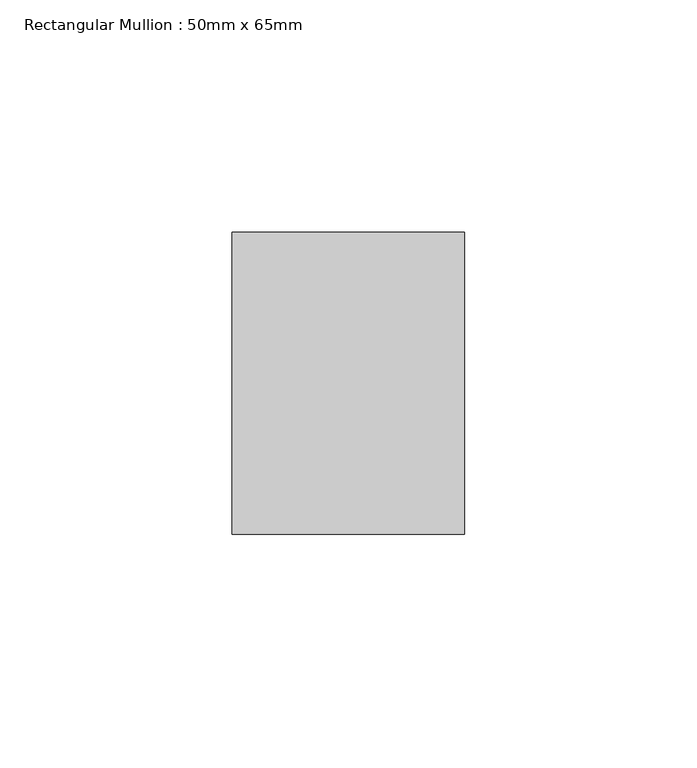
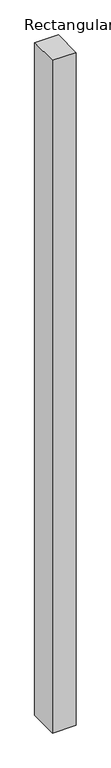
"""IFC4 building model written with IfcOpenShell, lengths in millimetres: member geometry, Rectangular Mullion : 50mm x 65mm."""

from ifc_helpers import new_model, si_unit, origin, place, context, project, spatial, faceted_brep, source, transform, mapped, element, save


def rectangular_mullion_50mm_x_65mm_17125522(model_context):
    return source(origin(), model_context, "Body", "Brep", [
        faceted_brep([(-25.0, 32.5, -0.0443365), (25.0, 32.5, -0.0443361), (25.0, 32.5, -1499.901914), (-25.0, 32.5, -1499.9019132), (-25.0, -32.5, 0.0443361), (-25.0, -32.5, -1500.0980902), (25.0, -32.5, 0.0443365), (25.0, -32.5, -1500.098091)], [[[0, 1, 2, 3]], [[4, 0, 3, 5]], [[6, 4, 5, 7]], [[1, 6, 7, 2]], [[1, 0, 4, 6]], [[2, 7, 5, 3]]]),
    ])


if __name__ == "__main__":
    model = new_model("IFC4")
    model_context = context("Model", 3, world=origin())
    ifc_project = project(units=[si_unit("LENGTHUNIT", "METRE", prefix="MILLI")], contexts=[model_context])
    site = spatial("IfcSite", under=ifc_project)
    building = spatial("IfcBuilding", under=site)
    placement = place(None, origin())
    rectangular_mullion_50mm_x_65mm_shape = rectangular_mullion_50mm_x_65mm_17125522(model_context)
    element("IfcMember", 1, ObjectType="Rectangular Mullion : 50mm x 65mm", at=placement, inside=building, context=model_context, shape_type="MappedRepresentation", body=[
        mapped(rectangular_mullion_50mm_x_65mm_shape, transform((0.0, 0.0, 0.0), x_axis=(1.0, 0.0, 0.0), y_axis=(0.0, 1.0, 0.0), z_axis=(0.0, 0.0, 1.0))),
    ])
    save(model, "model.ifc")
